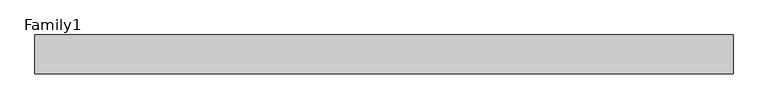
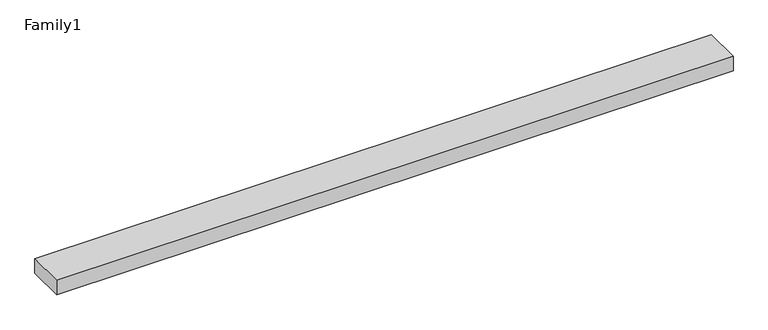
"""IFC4 building model written with IfcOpenShell, lengths in millimetres: proxy geometry, Family1."""

from ifc_helpers import new_model, si_unit, origin, origin_with_axes, place, context, project, spatial, polyline, outline, extrude, source, transform, mapped, element, save


def family1_efefa104(model_context):
    return source(origin(), model_context, "Body", "SweptSolid", [
        extrude(outline(polyline([(90000.0, 0.0), (0.0, 0.0), (0.0, 5000.0), (90000.0, 5000.0), (90000.0, 0.0)])), origin_with_axes(), (0.0, 0.0, 1.0), 2036.0),
    ])


if __name__ == "__main__":
    model = new_model("IFC4")
    model_context = context("Model", 3, world=origin())
    ifc_project = project(units=[si_unit("LENGTHUNIT", "METRE", prefix="MILLI")], contexts=[model_context])
    site = spatial("IfcSite", under=ifc_project)
    building = spatial("IfcBuilding", under=site)
    placement = place(None, origin())
    family1_shape = family1_efefa104(model_context)
    element("IfcBuildingElementProxy", 1, Name="Family1", ObjectType="Family1", at=placement, inside=building, context=model_context, shape_type="MappedRepresentation", body=[
        mapped(family1_shape, transform((0.0, 0.0, 0.0), x_axis=(1.0, 0.0, 0.0), y_axis=(0.0, 1.0, 0.0), z_axis=(0.0, 0.0, 1.0))),
    ])
    save(model, "model.ifc")
